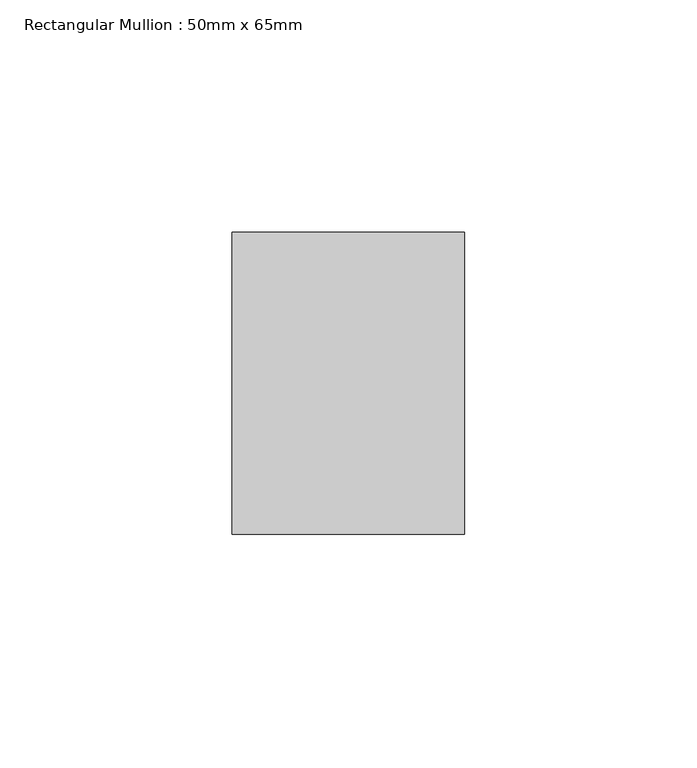
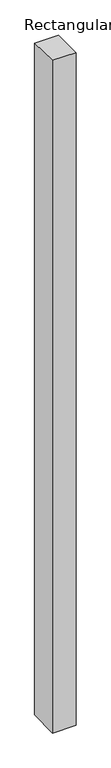
"""IFC4 building model written with IfcOpenShell, lengths in millimetres: member geometry, Rectangular Mullion : 50mm x 65mm."""

from ifc_helpers import new_model, si_unit, origin, place, context, project, spatial, faceted_brep, source, transform, mapped, element, save


def rectangular_mullion_50mm_x_65mm_585223a9(model_context):
    return source(origin(), model_context, "Body", "Brep", [
        faceted_brep([(-25.0, 32.5, -0.5683208), (25.0, 32.5, -0.5683178), (25.0, 32.5, -1499.2875631), (-25.0, 32.5, -1499.2875593), (-25.0, -32.5, 0.5683178), (-25.0, -32.5, -1500.7129743), (25.0, -32.5, 0.5683208), (25.0, -32.5, -1500.7129781)], [[[0, 1, 2, 3]], [[4, 0, 3, 5]], [[6, 4, 5, 7]], [[1, 6, 7, 2]], [[1, 0, 4, 6]], [[2, 7, 5, 3]]]),
    ])


if __name__ == "__main__":
    model = new_model("IFC4")
    model_context = context("Model", 3, world=origin())
    ifc_project = project(units=[si_unit("LENGTHUNIT", "METRE", prefix="MILLI")], contexts=[model_context])
    site = spatial("IfcSite", under=ifc_project)
    building = spatial("IfcBuilding", under=site)
    placement = place(None, origin())
    rectangular_mullion_50mm_x_65mm_shape = rectangular_mullion_50mm_x_65mm_585223a9(model_context)
    element("IfcMember", 1, ObjectType="Rectangular Mullion : 50mm x 65mm", at=placement, inside=building, context=model_context, shape_type="MappedRepresentation", body=[
        mapped(rectangular_mullion_50mm_x_65mm_shape, transform((0.0, 0.0, 0.0), x_axis=(1.0, 0.0, 0.0), y_axis=(0.0, 1.0, 0.0), z_axis=(0.0, 0.0, 1.0))),
    ])
    save(model, "model.ifc")
